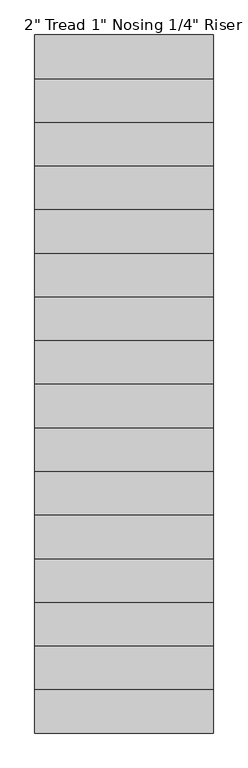
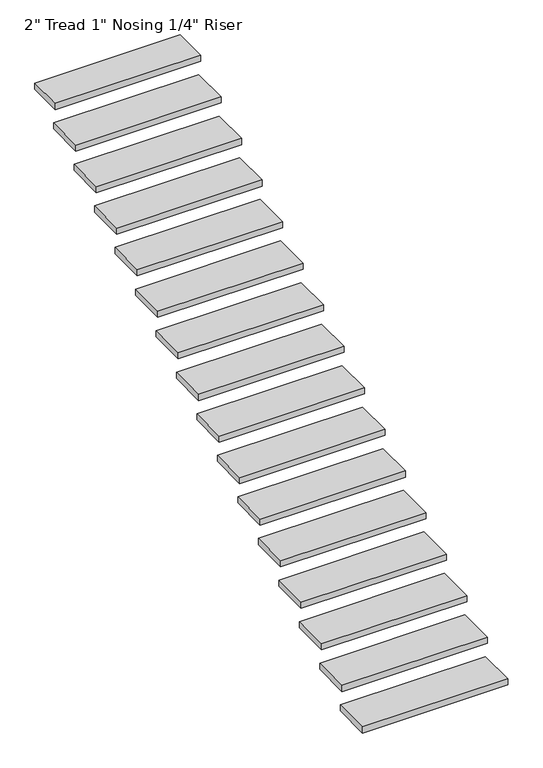
"""IFC4 building model written with IfcOpenShell, lengths in millimetres: stair flight geometry."""

from ifc_helpers import new_model, si_unit, frame, origin, place, context, project, spatial, polyline, outline, extrude, source, transform, mapped, element, save


def stair_flight_4832711f(model_context):
    return source(origin(), model_context, "Body", "SweptSolid", [
        extrude(outline(polyline([(-6863.2310621, 27142.3662386), (-5720.2310621, 27142.3662386), (-5720.2310621, 26837.5662386), (-6863.2310621, 26837.5662386), (-6863.2310621, 27142.3662386)])), frame((0.0, 0.0, -13806.4875), z_axis=(0.0, 0.0, 1.0), x_axis=(1.0, 0.0, 0.0)), (0.0, 0.0, 1.0), 50.8),
        extrude(outline(polyline([(-6863.2310621, 27421.7662386), (-5720.2310621, 27421.7662386), (-5720.2310621, 27116.9662386), (-6863.2310621, 27116.9662386), (-6863.2310621, 27421.7662386)])), frame((0.0, 0.0, -13630.275), z_axis=(0.0, 0.0, 1.0), x_axis=(1.0, 0.0, 0.0)), (0.0, 0.0, 1.0), 50.8),
        extrude(outline(polyline([(-6863.2310621, 27700.1030373), (-5720.2310621, 27700.1030373), (-5720.2310621, 27396.3662386), (-6863.2310621, 27396.3662386), (-6863.2310621, 27700.1030373)])), frame((0.0, 0.0, -13454.0625), z_axis=(0.0, 0.0, 1.0), x_axis=(1.0, 0.0, 0.0)), (0.0, 0.0, 1.0), 50.8),
        extrude(outline(polyline([(-6863.2310621, 27979.5030373), (-5720.2310621, 27979.5030373), (-5720.2310621, 27674.7030373), (-6863.2310621, 27674.7030373), (-6863.2310621, 27979.5030373)])), frame((0.0, 0.0, -13277.85), z_axis=(0.0, 0.0, 1.0), x_axis=(1.0, 0.0, 0.0)), (0.0, 0.0, 1.0), 50.8),
        extrude(outline(polyline([(-6863.2310621, 28258.9030373), (-5720.2310621, 28258.9030373), (-5720.2310621, 27954.1030373), (-6863.2310621, 27954.1030373), (-6863.2310621, 28258.9030373)])), frame((0.0, 0.0, -13101.6375), z_axis=(0.0, 0.0, 1.0), x_axis=(1.0, 0.0, 0.0)), (0.0, 0.0, 1.0), 50.8),
        extrude(outline(polyline([(-6863.2310621, 28538.3030373), (-5720.2310621, 28538.3030373), (-5720.2310621, 28233.5030373), (-6863.2310621, 28233.5030373), (-6863.2310621, 28538.3030373)])), frame((0.0, 0.0, -12925.425), z_axis=(0.0, 0.0, 1.0), x_axis=(1.0, 0.0, 0.0)), (0.0, 0.0, 1.0), 50.8),
        extrude(outline(polyline([(-6863.2310621, 28816.6398359), (-5720.2310621, 28816.6398359), (-5720.2310621, 28512.9030373), (-6863.2310621, 28512.9030373), (-6863.2310621, 28816.6398359)])), frame((0.0, 0.0, -12749.2125), z_axis=(0.0, 0.0, 1.0), x_axis=(1.0, 0.0, 0.0)), (0.0, 0.0, 1.0), 50.8),
        extrude(outline(polyline([(-6863.2310621, 29096.0398359), (-5720.2310621, 29096.0398359), (-5720.2310621, 28791.2398359), (-6863.2310621, 28791.2398359), (-6863.2310621, 29096.0398359)])), frame((0.0, 0.0, -12573.0), z_axis=(0.0, 0.0, 1.0), x_axis=(1.0, 0.0, 0.0)), (0.0, 0.0, 1.0), 50.8),
        extrude(outline(polyline([(-6863.2310621, 29375.4398359), (-5720.2310621, 29375.4398359), (-5720.2310621, 29070.6398359), (-6863.2310621, 29070.6398359), (-6863.2310621, 29375.4398359)])), frame((0.0, 0.0, -12396.7875), z_axis=(0.0, 0.0, 1.0), x_axis=(1.0, 0.0, 0.0)), (0.0, 0.0, 1.0), 50.8),
        extrude(outline(polyline([(-6863.2310621, 29653.7766346), (-5720.2310621, 29653.7766346), (-5720.2310621, 29350.0398359), (-6863.2310621, 29350.0398359), (-6863.2310621, 29653.7766346)])), frame((0.0, 0.0, -12220.575), z_axis=(0.0, 0.0, 1.0), x_axis=(1.0, 0.0, 0.0)), (0.0, 0.0, 1.0), 50.8),
        extrude(outline(polyline([(-6863.2310621, 29933.1766346), (-5720.2310621, 29933.1766346), (-5720.2310621, 29628.3766346), (-6863.2310621, 29628.3766346), (-6863.2310621, 29933.1766346)])), frame((0.0, 0.0, -12044.3625), z_axis=(0.0, 0.0, 1.0), x_axis=(1.0, 0.0, 0.0)), (0.0, 0.0, 1.0), 50.8),
        extrude(outline(polyline([(-6863.2310621, 30212.5766346), (-5720.2310621, 30212.5766346), (-5720.2310621, 29907.7766346), (-6863.2310621, 29907.7766346), (-6863.2310621, 30212.5766346)])), frame((0.0, 0.0, -11868.15), z_axis=(0.0, 0.0, 1.0), x_axis=(1.0, 0.0, 0.0)), (0.0, 0.0, 1.0), 50.8),
        extrude(outline(polyline([(-6863.2310621, 30491.9766346), (-5720.2310621, 30491.9766346), (-5720.2310621, 30187.1766346), (-6863.2310621, 30187.1766346), (-6863.2310621, 30491.9766346)])), frame((0.0, 0.0, -11691.9375), z_axis=(0.0, 0.0, 1.0), x_axis=(1.0, 0.0, 0.0)), (0.0, 0.0, 1.0), 50.8),
        extrude(outline(polyline([(-6863.2310621, 30770.3134332), (-5720.2310621, 30770.3134332), (-5720.2310621, 30466.5766346), (-6863.2310621, 30466.5766346), (-6863.2310621, 30770.3134332)])), frame((0.0, 0.0, -11515.725), z_axis=(0.0, 0.0, 1.0), x_axis=(1.0, 0.0, 0.0)), (0.0, 0.0, 1.0), 50.8),
        extrude(outline(polyline([(-6863.2310621, 31049.7134332), (-5720.2310621, 31049.7134332), (-5720.2310621, 30744.9134332), (-6863.2310621, 30744.9134332), (-6863.2310621, 31049.7134332)])), frame((0.0, 0.0, -11339.5125), z_axis=(0.0, 0.0, 1.0), x_axis=(1.0, 0.0, 0.0)), (0.0, 0.0, 1.0), 50.8),
        extrude(outline(polyline([(-6863.2310621, 31303.7134332), (-5720.2310621, 31303.7134332), (-5720.2310621, 31024.3134332), (-6863.2310621, 31024.3134332), (-6863.2310621, 31303.7134332)])), frame((0.0, 0.0, -11163.3), z_axis=(0.0, 0.0, 1.0), x_axis=(1.0, 0.0, 0.0)), (0.0, 0.0, 1.0), 50.8),
    ])


if __name__ == "__main__":
    model = new_model("IFC4")
    model_context = context("Model", 3, world=origin())
    ifc_project = project(units=[si_unit("LENGTHUNIT", "METRE", prefix="MILLI")], contexts=[model_context])
    site = spatial("IfcSite", under=ifc_project)
    building = spatial("IfcBuilding", under=site)
    placement = place(None, origin())
    stair_flight_shape = stair_flight_4832711f(model_context)
    element("IfcStairFlight", 1, ObjectType="2\" Tread 1\" Nosing 1/4\" Riser", at=placement, inside=building, context=model_context, shape_type="MappedRepresentation", body=[
        mapped(stair_flight_shape, transform((0.0, 0.0, 0.0), x_axis=(1.0, 0.0, 0.0), y_axis=(0.0, 1.0, 0.0), z_axis=(0.0, 0.0, 1.0))),
    ])
    save(model, "model.ifc")
